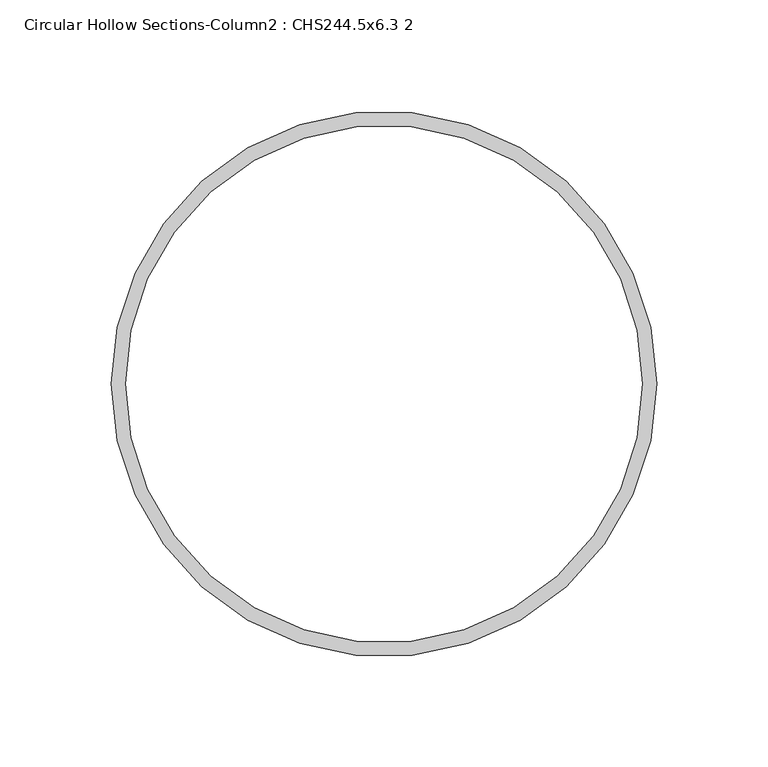
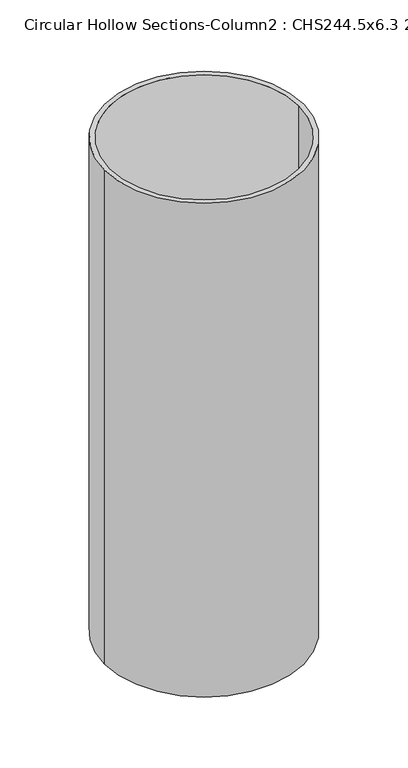
"""IFC4 building model written with IfcOpenShell, lengths in millimetres: column geometry, Circular Hollow Sections-Column2 : CHS244.5x6.3 2."""

from ifc_helpers import new_model, si_unit, point, frame, origin, origin_2d, place, context, project, spatial, circle_curve, trimmed, segment, composite_curve, outline, extrude, source, transform, mapped, element, save


def circular_hollow_sections_column2_chs244_5x6_3_2_f04269d1(model_context):
    return source(origin(), model_context, "Body", "SweptSolid", [
        extrude(outline(composite_curve([segment(trimmed(circle_curve(origin_2d(), 122.25), [point((-122.25, 0.0))], [point((122.25, 0.0))], False, "CARTESIAN"), True, "CONTINUOUS"), segment(trimmed(circle_curve(origin_2d(), 122.25), [point((122.25, 0.0))], [point((-122.25, 0.0))], False, "CARTESIAN"), True, "CONTINUOUS")], self_intersect=False), holes=[composite_curve([segment(trimmed(circle_curve(origin_2d(), 115.95), [point((-115.95, 0.0))], [point((115.95, 0.0))], True, "CARTESIAN"), True, "CONTINUOUS"), segment(trimmed(circle_curve(origin_2d(), 115.95), [point((115.95, 0.0))], [point((-115.95, 0.0))], True, "CARTESIAN"), True, "CONTINUOUS")], self_intersect=False)]), frame((0.0, 0.0, 8750.0), z_axis=(0.0, 0.0, 1.0), x_axis=(1.0, 0.0, 0.0)), (0.0, 0.0, 1.0), 640.0),
    ])


if __name__ == "__main__":
    model = new_model("IFC4")
    model_context = context("Model", 3, world=origin())
    ifc_project = project(units=[si_unit("LENGTHUNIT", "METRE", prefix="MILLI")], contexts=[model_context])
    site = spatial("IfcSite", under=ifc_project)
    building = spatial("IfcBuilding", under=site)
    placement = place(None, origin())
    circular_hollow_sections_column2_chs244_5x6_3_2_shape = circular_hollow_sections_column2_chs244_5x6_3_2_f04269d1(model_context)
    element("IfcColumn", 1, ObjectType="Circular Hollow Sections-Column2 : CHS244.5x6.3 2", at=placement, inside=building, context=model_context, shape_type="MappedRepresentation", body=[
        mapped(circular_hollow_sections_column2_chs244_5x6_3_2_shape, transform((0.0, 0.0, 0.0), x_axis=(1.0, 0.0, 0.0), y_axis=(0.0, 1.0, 0.0), z_axis=(0.0, 0.0, 1.0))),
    ])
    save(model, "model.ifc")
